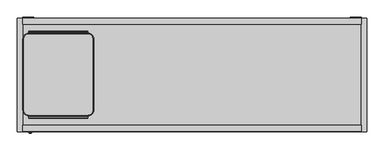
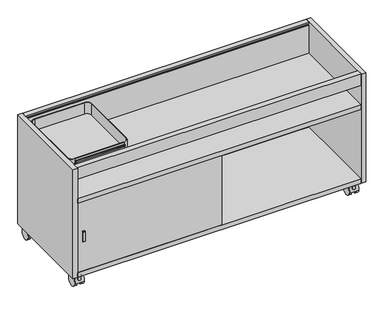
"""IFC4 building model written with IfcOpenShell, lengths in millimetres: furniture geometry."""

from ifc_helpers import new_model, si_unit, point, frame, frame_2d, origin, place, context, project, spatial, polyline, circle_curve, trimmed, segment, composite_curve, outline, extrude, source, transform, mapped, element, save
from ifc_brep_helpers import plane_surface, cylinder_surface, revolved_surface, spline_surface, advanced_brep


def furniture_e8ebdd87(model_context):
    return source(origin(), model_context, "Body", "SolidModel", [
        advanced_brep(
        [(40.7797005, -65.0047138, 490.3901787), (23.5585005, -82.2259138, 490.3901787), (23.5585005, -330.3331138, 490.3901787), (40.7797005, -347.5543138, 490.3901787), (40.7797005, -350.5846709, 490.3901787), (247.0023005, -350.5846709, 490.3901787), (247.0023005, -347.5543138, 490.3901787), (264.2235005, -330.3331138, 490.3901787), (264.2235005, -82.2259138, 490.3901787), (247.0023005, -65.0047138, 490.3901787), (247.0023005, -62.7010709, 490.3901787), (40.7797005, -62.7010709, 490.3901787), (40.7797005, -347.5543138, 489.6027787), (23.5585005, -330.3331138, 489.6027787), (23.5585005, -82.2259138, 489.6027787), (40.7797005, -65.0047138, 489.6027787), (40.7797005, -61.9136709, 489.6027787), (247.0023005, -61.9136709, 489.6027787), (247.0023005, -65.0047138, 489.6027787), (264.2235005, -82.2259138, 489.6027787), (264.2235005, -330.3331138, 489.6027787), (247.0023005, -347.5543138, 489.6027787), (247.0023005, -351.3720709, 489.6027787), (40.7797005, -351.3720709, 489.6027787), (247.0023005, -55.7114012, 532.5033787), (247.0023005, -59.0180709, 532.5033787), (247.0023005, -59.0180709, 531.7153825), (247.0023005, -56.5034709, 531.7153825), (247.0023005, -55.9954709, 531.2073825), (247.0023005, -55.9954709, 528.211375), (247.0023005, -56.5034709, 527.703375), (247.0023005, -58.8857443, 527.703375), (247.0023005, -59.7656262, 527.195375), (247.0023005, -62.7010709, 522.1110356), (247.0023005, -61.9136709, 521.9000524), (247.0023005, -59.0180709, 526.9153787), (247.0023005, -55.7160709, 526.9153787), (247.0023005, -55.2080709, 527.4233787), (247.0023005, -55.2080709, 532.0000483), (247.0023005, -350.5846709, 522.1110356), (247.0023005, -353.5201155, 527.195375), (247.0023005, -354.3999974, 527.703375), (247.0023005, -356.7822709, 527.703375), (247.0023005, -357.2902709, 528.211375), (247.0023005, -357.2902709, 531.2073825), (247.0023005, -356.7822709, 531.7153825), (247.0023005, -354.2676709, 531.7153825), (247.0023005, -354.2676709, 532.5033787), (247.0023005, -357.5743405, 532.5033787), (247.0023005, -358.0776709, 532.0000483), (247.0023005, -358.0776709, 527.4233787), (247.0023005, -357.5696709, 526.9153787), (247.0023005, -354.2676709, 526.9153787), (247.0023005, -351.3720709, 521.9000524), (40.7797005, -55.7114012, 532.5033787), (40.7797005, -55.2080709, 532.0000483), (40.7797005, -55.2080709, 527.4233787), (40.7797005, -55.7160709, 526.9153787), (40.7797005, -59.0180709, 526.9153787), (40.7797005, -61.9136709, 521.9000524), (40.7797005, -62.7010709, 522.1110356), (40.7797005, -59.7656262, 527.195375), (40.7797005, -58.8857443, 527.703375), (40.7797005, -56.5034709, 527.703375), (40.7797005, -55.9954709, 528.211375), (40.7797005, -55.9954709, 531.2073825), (40.7797005, -56.5034709, 531.7153825), (40.7797005, -59.0180709, 531.7153825), (40.7797005, -59.0180709, 532.5033787), (40.7797005, -351.3720709, 521.9000524), (40.7797005, -354.2676709, 526.9153787), (40.7797005, -357.5696709, 526.9153787), (40.7797005, -358.0776709, 527.4233787), (40.7797005, -358.0776709, 532.0000483), (40.7797005, -357.5743405, 532.5033787), (40.7797005, -354.2676709, 532.5033787), (40.7797005, -354.2676709, 531.7153825), (40.7797005, -356.7822709, 531.7153825), (40.7797005, -357.2902709, 531.2073825), (40.7797005, -357.2902709, 528.211375), (40.7797005, -356.7822709, 527.703375), (40.7797005, -354.3999974, 527.703375), (40.7797005, -353.5201155, 527.195375), (40.7797005, -350.5846709, 522.1110356)],
        [
            (0, 1, circle_curve(frame((40.7797005, -82.2259138, 490.3901787), z_axis=(0.0, 0.0, 1.0), x_axis=(1.0, 0.0, 0.0)), 17.2212)),
            (1, 2),
            (2, 3, circle_curve(frame((40.7797005, -330.3331138, 490.3901787), z_axis=(0.0, 0.0, 1.0), x_axis=(1.0, 0.0, 0.0)), 17.2212)),
            (3, 4),
            (4, 5),
            (5, 6),
            (6, 7, circle_curve(frame((247.0023005, -330.3331138, 490.3901787), z_axis=(0.0, 0.0, 1.0), x_axis=(1.0, 0.0, 0.0)), 17.2212)),
            (7, 8),
            (8, 9, circle_curve(frame((247.0023005, -82.2259138, 490.3901787), z_axis=(0.0, 0.0, 1.0), x_axis=(1.0, 0.0, 0.0)), 17.2212)),
            (9, 10),
            (10, 11),
            (11, 0),
            (12, 13, circle_curve(frame((40.7797005, -330.3331138, 489.6027787), z_axis=(0.0, 0.0, -1.0), x_axis=(1.0, 0.0, 0.0)), 17.2212)),
            (13, 14),
            (14, 15, circle_curve(frame((40.7797005, -82.2259138, 489.6027787), z_axis=(0.0, 0.0, -1.0), x_axis=(1.0, 0.0, 0.0)), 17.2212)),
            (15, 16),
            (16, 17),
            (17, 18),
            (18, 19, circle_curve(frame((247.0023005, -82.2259138, 489.6027787), z_axis=(0.0, 0.0, -1.0), x_axis=(1.0, 0.0, 0.0)), 17.2212)),
            (19, 20),
            (20, 21, circle_curve(frame((247.0023005, -330.3331138, 489.6027787), z_axis=(0.0, 0.0, -1.0), x_axis=(1.0, 0.0, 0.0)), 17.2212)),
            (21, 22),
            (22, 23),
            (23, 12),
            (0, 15),
            (14, 1),
            (13, 2),
            (12, 3),
            (6, 21),
            (20, 7),
            (19, 8),
            (18, 9),
            (24, 25),
            (25, 26),
            (26, 27),
            (27, 28, circle_curve(frame((247.0023005, -56.5034709, 531.2073825), z_axis=(-1.0, 0.0, 0.0), x_axis=(0.0, 1.0, 0.0)), 0.508)),
            (28, 29),
            (29, 30, circle_curve(frame((247.0023005, -56.5034709, 528.211375), z_axis=(-1.0, 0.0, 0.0), x_axis=(0.0, 1.0, 0.0)), 0.508)),
            (30, 31),
            (31, 32, circle_curve(frame((247.0023005, -58.8857443, 526.687375), z_axis=(1.0, 0.0, 0.0), x_axis=(0.0, 1.0, 0.0)), 1.016)),
            (32, 33),
            (33, 10),
            (17, 34),
            (34, 35),
            (35, 36),
            (36, 37, circle_curve(frame((247.0023005, -55.7160709, 527.4233787), z_axis=(1.0, 0.0, 0.0), x_axis=(0.0, 1.0, 0.0)), 0.508)),
            (37, 38),
            (38, 24, circle_curve(frame((247.0023005, -55.7114012, 532.0000483), z_axis=(1.0, 0.0, 0.0), x_axis=(0.0, 1.0, 0.0)), 0.5033304)),
            (5, 39),
            (39, 40),
            (40, 41, circle_curve(frame((247.0023005, -354.3999974, 526.687375), z_axis=(1.0, 0.0, 0.0), x_axis=(0.0, 1.0, 0.0)), 1.016)),
            (41, 42),
            (42, 43, circle_curve(frame((247.0023005, -356.7822709, 528.211375), z_axis=(-1.0, 0.0, 0.0), x_axis=(0.0, 1.0, 0.0)), 0.508)),
            (43, 44),
            (44, 45, circle_curve(frame((247.0023005, -356.7822709, 531.2073825), z_axis=(-1.0, 0.0, 0.0), x_axis=(0.0, 1.0, 0.0)), 0.508)),
            (45, 46),
            (46, 47),
            (47, 48),
            (48, 49, circle_curve(frame((247.0023005, -357.5743405, 532.0000483), z_axis=(1.0, 0.0, 0.0), x_axis=(0.0, 1.0, 0.0)), 0.5033304)),
            (49, 50),
            (50, 51, circle_curve(frame((247.0023005, -357.5696709, 527.4233787), z_axis=(1.0, 0.0, 0.0), x_axis=(0.0, 1.0, 0.0)), 0.508)),
            (51, 52),
            (52, 53),
            (53, 22),
            (54, 55, circle_curve(frame((40.7797005, -55.7114012, 532.0000483), z_axis=(-1.0, 0.0, 0.0), x_axis=(0.0, 1.0, 0.0)), 0.5033304)),
            (55, 56),
            (56, 57, circle_curve(frame((40.7797005, -55.7160709, 527.4233787), z_axis=(-1.0, 0.0, 0.0), x_axis=(0.0, 1.0, 0.0)), 0.508)),
            (57, 58),
            (58, 59),
            (59, 16),
            (11, 60),
            (60, 61),
            (61, 62, circle_curve(frame((40.7797005, -58.8857443, 526.687375), z_axis=(-1.0, 0.0, 0.0), x_axis=(0.0, 1.0, 0.0)), 1.016)),
            (62, 63),
            (63, 64, circle_curve(frame((40.7797005, -56.5034709, 528.211375), z_axis=(1.0, 0.0, 0.0), x_axis=(0.0, 1.0, 0.0)), 0.508)),
            (64, 65),
            (65, 66, circle_curve(frame((40.7797005, -56.5034709, 531.2073825), z_axis=(1.0, 0.0, 0.0), x_axis=(0.0, 1.0, 0.0)), 0.508)),
            (66, 67),
            (67, 68),
            (68, 54),
            (23, 69),
            (69, 70),
            (70, 71),
            (71, 72, circle_curve(frame((40.7797005, -357.5696709, 527.4233787), z_axis=(-1.0, 0.0, 0.0), x_axis=(0.0, 1.0, 0.0)), 0.508)),
            (72, 73),
            (73, 74, circle_curve(frame((40.7797005, -357.5743405, 532.0000483), z_axis=(-1.0, 0.0, 0.0), x_axis=(0.0, 1.0, 0.0)), 0.5033304)),
            (74, 75),
            (75, 76),
            (76, 77),
            (77, 78, circle_curve(frame((40.7797005, -356.7822709, 531.2073825), z_axis=(1.0, 0.0, 0.0), x_axis=(0.0, 1.0, 0.0)), 0.508)),
            (78, 79),
            (79, 80, circle_curve(frame((40.7797005, -356.7822709, 528.211375), z_axis=(1.0, 0.0, 0.0), x_axis=(0.0, 1.0, 0.0)), 0.508)),
            (80, 81),
            (81, 82, circle_curve(frame((40.7797005, -354.3999974, 526.687375), z_axis=(-1.0, 0.0, 0.0), x_axis=(0.0, 1.0, 0.0)), 1.016)),
            (82, 83),
            (83, 4),
            (24, 54),
            (68, 25),
            (67, 26),
            (66, 27),
            (65, 28),
            (64, 29),
            (63, 30),
            (62, 31),
            (61, 32),
            (60, 33),
            (83, 39),
            (82, 40),
            (81, 41),
            (80, 42),
            (79, 43),
            (78, 44),
            (77, 45),
            (76, 46),
            (75, 47),
            (74, 48),
            (73, 49),
            (72, 50),
            (71, 51),
            (70, 52),
            (69, 53),
            (59, 34),
            (58, 35),
            (57, 36),
            (56, 37),
            (55, 38),
        ],
        [
            plane_surface(frame((40.7797005, -65.0047138, 490.3901787), z_axis=(0.0, 0.0, 1.0), x_axis=(0.0, 1.0, 0.0))),
            plane_surface(frame((40.7797005, -65.0047138, 489.6027787), z_axis=(0.0, 0.0, -1.0), x_axis=(0.0, -1.0, 0.0))),
            cylinder_surface(frame((40.7797005, -82.2259138, 489.6027787), z_axis=(0.0, 0.0, 1.0), x_axis=(1.0, 0.0, 0.0)), 17.2212),
            plane_surface(frame((23.5585005, -82.2259138, 490.3901787), z_axis=(-1.0, 0.0, 0.0), x_axis=(0.0, 0.0, -1.0))),
            cylinder_surface(frame((40.7797005, -330.3331138, 489.6027787), z_axis=(0.0, 0.0, 1.0), x_axis=(1.0, 0.0, 0.0)), 17.2212),
            cylinder_surface(frame((247.0023005, -330.3331138, 489.6027787), z_axis=(0.0, 0.0, 1.0), x_axis=(1.0, 0.0, 0.0)), 17.2212),
            plane_surface(frame((264.2235005, -330.3331138, 490.3901787), z_axis=(1.0, 0.0, 0.0), x_axis=(0.0, 0.0, -1.0))),
            cylinder_surface(frame((247.0023005, -82.2259138, 489.6027787), z_axis=(0.0, 0.0, 1.0), x_axis=(1.0, 0.0, 0.0)), 17.2212),
            plane_surface(frame((247.0023005, -59.0180709, 532.5033787), z_axis=(1.0, 0.0, 0.0), x_axis=(0.0, -1.0, 0.0))),
            plane_surface(frame((40.7797005, -59.0180709, 532.5033787), z_axis=(-1.0, 0.0, 0.0), x_axis=(0.0, 1.0, 0.0))),
            plane_surface(frame((247.0023005, -55.7114012, 532.5033787), z_axis=(0.0, 0.0, 1.0), x_axis=(-1.0, 0.0, 0.0))),
            plane_surface(frame((247.0023005, -59.0180709, 532.5033787), z_axis=(0.0, -1.0, 0.0), x_axis=(-1.0, 0.0, 0.0))),
            plane_surface(frame((247.0023005, -59.0180709, 531.7153825), z_axis=(0.0, 0.0, -1.0), x_axis=(-1.0, 0.0, 0.0))),
            revolved_surface(polyline([(40.7797005, -55.9954709, 531.2073825), (247.0023005, -55.9954709, 531.2073825)]), (40.7797005, -56.5034709, 531.2073825), (-1.0, 0.0, 0.0)),
            plane_surface(frame((247.0023005, -55.9954709, 531.2073825), z_axis=(0.0, -1.0, 0.0), x_axis=(-1.0, 0.0, 0.0))),
            revolved_surface(polyline([(40.7797005, -55.9954709, 528.211375), (247.0023005, -55.9954709, 528.211375)]), (40.7797005, -56.5034709, 528.211375), (-1.0, 0.0, 0.0)),
            plane_surface(frame((247.0023005, -56.5034709, 527.703375), z_axis=(0.0, 0.0, 1.0), x_axis=(-1.0, 0.0, 0.0))),
            cylinder_surface(frame((40.7797005, -58.8857443, 526.687375), z_axis=(1.0, 0.0, 0.0), x_axis=(0.0, 1.0, 0.0)), 1.016),
            plane_surface(frame((247.0023005, -59.7656262, 527.195375), z_axis=(0.0, -0.8660254037844366, 0.5000000000000036), x_axis=(-1.0, 0.0, 0.0))),
            plane_surface(frame((247.0023005, -62.7010709, 522.1110356), z_axis=(0.0, -1.0, 0.0), x_axis=(-1.0, 0.0, 0.0))),
            plane_surface(frame((247.0023005, -350.5846709, 490.3901787), z_axis=(0.0, 1.0, 0.0), x_axis=(-1.0, 0.0, 0.0))),
            plane_surface(frame((247.0023005, -350.5846709, 522.1110356), z_axis=(0.0, 0.8660254037916251, 0.4999999999875528), x_axis=(-1.0, 0.0, 0.0))),
            cylinder_surface(frame((40.7797005, -354.3999974, 526.687375), z_axis=(1.0, 0.0, 0.0), x_axis=(0.0, 1.0, 0.0)), 1.016),
            plane_surface(frame((247.0023005, -354.3999974, 527.703375), z_axis=(0.0, 0.0, 1.0), x_axis=(-1.0, 0.0, 0.0))),
            revolved_surface(polyline([(40.7797005, -356.27427090000003, 528.211375), (247.0023005, -356.27427090000003, 528.211375)]), (40.7797005, -356.7822709, 528.211375), (-1.0, 0.0, 0.0)),
            plane_surface(frame((247.0023005, -357.2902709, 528.211375), z_axis=(0.0, 1.0, 0.0), x_axis=(-1.0, 0.0, 0.0))),
            revolved_surface(polyline([(40.7797005, -356.27427090000003, 531.2073825), (247.0023005, -356.27427090000003, 531.2073825)]), (40.7797005, -356.7822709, 531.2073825), (-1.0, 0.0, 0.0)),
            plane_surface(frame((247.0023005, -356.7822709, 531.7153825), z_axis=(0.0, 0.0, -1.0), x_axis=(-1.0, 0.0, 0.0))),
            plane_surface(frame((247.0023005, -354.2676709, 531.7153825), z_axis=(0.0, 1.0, 0.0), x_axis=(-1.0, 0.0, 0.0))),
            plane_surface(frame((247.0023005, -354.2676709, 532.5033787), z_axis=(0.0, 0.0, 1.0), x_axis=(-1.0, 0.0, 0.0))),
            cylinder_surface(frame((40.7797005, -357.5743405, 532.0000483), z_axis=(1.0, 0.0, 0.0), x_axis=(0.0, 1.0, 0.0)), 0.5033304),
            plane_surface(frame((247.0023005, -358.0776709, 532.0000483), z_axis=(0.0, -1.0, 0.0), x_axis=(-1.0, 0.0, 0.0))),
            cylinder_surface(frame((40.7797005, -357.5696709, 527.4233787), z_axis=(1.0, 0.0, 0.0), x_axis=(0.0, 1.0, 0.0)), 0.508),
            plane_surface(frame((247.0023005, -357.5696709, 526.9153787), z_axis=(0.0, 0.0, -1.0), x_axis=(-1.0, 0.0, 0.0))),
            plane_surface(frame((247.0023005, -354.2676709, 526.9153787), z_axis=(0.0, -0.8660254037844387, -0.49999999999999983), x_axis=(-1.0, 0.0, 0.0))),
            plane_surface(frame((247.0023005, -351.3720709, 521.9000524), z_axis=(0.0, -1.0, 0.0), x_axis=(-1.0, 0.0, 0.0))),
            plane_surface(frame((247.0023005, -61.9136709, 489.6027787), z_axis=(0.0, 1.0, 0.0), x_axis=(-1.0, 0.0, 0.0))),
            plane_surface(frame((247.0023005, -61.9136709, 521.9000524), z_axis=(0.0, 0.8660254037844357, -0.5000000000000052), x_axis=(-1.0, 0.0, 0.0))),
            plane_surface(frame((247.0023005, -59.0180709, 526.9153787), z_axis=(0.0, 0.0, -1.0), x_axis=(-1.0, 0.0, 0.0))),
            cylinder_surface(frame((40.7797005, -55.7160709, 527.4233787), z_axis=(1.0, 0.0, 0.0), x_axis=(0.0, 1.0, 0.0)), 0.508),
            plane_surface(frame((247.0023005, -55.2080709, 527.4233787), z_axis=(0.0, 1.0, 0.0), x_axis=(-1.0, 0.0, 0.0))),
            cylinder_surface(frame((40.7797005, -55.7114012, 532.0000483), z_axis=(1.0, 0.0, 0.0), x_axis=(0.0, 1.0, 0.0)), 0.5033304),
        ],
        [
            (0, [[1, 2, 3, 4, 5, 6, 7, 8, 9, 10, 11, 12]]),
            (1, [[13, 14, 15, 16, 17, 18, 19, 20, 21, 22, 23, 24]]),
            (2, [[-1, 25, -15, 26]]),
            (3, [[-2, -26, -14, 27]]),
            (4, [[-3, -27, -13, 28]]),
            (5, [[-7, 29, -21, 30]]),
            (6, [[-8, -30, -20, 31]]),
            (7, [[-9, -31, -19, 32]]),
            (8, [[33, 34, 35, 36, 37, 38, 39, 40, 41, 42, -10, -32, -18, 43, 44, 45, 46, 47, 48]]),
            (8, [[49, 50, 51, 52, 53, 54, 55, 56, 57, 58, 59, 60, 61, 62, 63, 64, -22, -29, -6]]),
            (9, [[65, 66, 67, 68, 69, 70, -16, -25, -12, 71, 72, 73, 74, 75, 76, 77, 78, 79, 80]]),
            (9, [[81, 82, 83, 84, 85, 86, 87, 88, 89, 90, 91, 92, 93, 94, 95, 96, -4, -28, -24]]),
            (10, [[-33, 97, -80, 98]]),
            (11, [[-34, -98, -79, 99]]),
            (12, [[-35, -99, -78, 100]]),
            (13, [[-36, -100, -77, 101]]),
            (14, [[-37, -101, -76, 102]]),
            (15, [[-38, -102, -75, 103]]),
            (16, [[-39, -103, -74, 104]]),
            (17, [[-40, -104, -73, 105]]),
            (18, [[-41, -105, -72, 106]]),
            (19, [[-42, -106, -71, -11]]),
            (20, [[-49, -5, -96, 107]]),
            (21, [[-50, -107, -95, 108]]),
            (22, [[-51, -108, -94, 109]]),
            (23, [[-52, -109, -93, 110]]),
            (24, [[-53, -110, -92, 111]]),
            (25, [[-54, -111, -91, 112]]),
            (26, [[-55, -112, -90, 113]]),
            (27, [[-56, -113, -89, 114]]),
            (28, [[-57, -114, -88, 115]]),
            (29, [[-58, -115, -87, 116]]),
            (30, [[-59, -116, -86, 117]]),
            (31, [[-60, -117, -85, 118]]),
            (32, [[-61, -118, -84, 119]]),
            (33, [[-62, -119, -83, 120]]),
            (34, [[-63, -120, -82, 121]]),
            (35, [[-64, -121, -81, -23]]),
            (36, [[-43, -17, -70, 122]]),
            (37, [[-44, -122, -69, 123]]),
            (38, [[-45, -123, -68, 124]]),
            (39, [[-46, -124, -67, 125]]),
            (40, [[-47, -125, -66, 126]]),
            (41, [[-48, -126, -65, -97]]),
        ],
    ),
        extrude(outline(composite_curve([segment(trimmed(circle_curve(frame_2d((247.0023005, -82.5892709)), 19.8882), [point((247.0023005, -62.7010709))], [point((266.8905005, -82.5892709))], False, "CARTESIAN"), True, "CONTINUOUS"), segment(polyline([(266.8905005, -82.5892709), (266.8905005, -330.6964709)]), True, "CONTINUOUS"), segment(trimmed(circle_curve(frame_2d((247.0023005, -330.6964709)), 19.8882), [point((266.8905005, -330.6964709))], [point((247.0023005, -350.5846709))], False, "CARTESIAN"), True, "CONTINUOUS"), segment(polyline([(247.0023005, -350.5846709), (40.7797005, -350.5846709)]), True, "CONTINUOUS"), segment(trimmed(circle_curve(frame_2d((40.7797005, -330.6964709)), 19.8882), [point((40.7797005, -350.5846709))], [point((20.8915005, -330.6964709))], False, "CARTESIAN"), True, "CONTINUOUS"), segment(polyline([(20.8915005, -330.6964709), (20.8915005, -82.5892709)]), True, "CONTINUOUS"), segment(trimmed(circle_curve(frame_2d((40.7797005, -82.5892709)), 19.8882), [point((20.8915005, -82.5892709))], [point((40.7797005, -62.7010709))], False, "CARTESIAN"), True, "CONTINUOUS"), segment(polyline([(40.7797005, -62.7010709), (247.0023005, -62.7010709)]), True, "CONTINUOUS")], self_intersect=False), holes=[composite_curve([segment(polyline([(247.0023005, -65.3680709), (40.7797005, -65.3680709)]), True, "CONTINUOUS"), segment(trimmed(circle_curve(frame_2d((40.7797005, -82.5892709)), 17.2212), [point((40.7797005, -65.3680709))], [point((23.5585005, -82.5892709))], True, "CARTESIAN"), True, "CONTINUOUS"), segment(polyline([(23.5585005, -82.5892709), (23.5585005, -330.6964709)]), True, "CONTINUOUS"), segment(trimmed(circle_curve(frame_2d((40.7797005, -330.6964709)), 17.2212), [point((23.5585005, -330.6964709))], [point((40.7797005, -347.9176709))], True, "CARTESIAN"), True, "CONTINUOUS"), segment(polyline([(40.7797005, -347.9176709), (247.0023005, -347.9176709)]), True, "CONTINUOUS"), segment(trimmed(circle_curve(frame_2d((247.0023005, -330.6964709)), 17.2212), [point((247.0023005, -347.9176709))], [point((264.2235005, -330.6964709))], True, "CARTESIAN"), True, "CONTINUOUS"), segment(polyline([(264.2235005, -330.6964709), (264.2235005, -82.5892709)]), True, "CONTINUOUS"), segment(trimmed(circle_curve(frame_2d((247.0023005, -82.5892709)), 17.2212), [point((264.2235005, -82.5892709))], [point((247.0023005, -65.3680709))], True, "CARTESIAN"), True, "CONTINUOUS")], self_intersect=False)]), frame((0.0, 0.0, 490.3901787), z_axis=(0.0, 0.0, 1.0), x_axis=(1.0, 0.0, 0.0)), (0.0, 0.0, 1.0), 49.0982),
        advanced_brep(
        [(43.33875, -411.1128728, 253.4018294), (42.32275, -411.1128728, 252.3858294), (42.32275, -411.1128728, 211.5553294), (43.33875, -411.1128728, 210.5393294), (49.24425, -411.1128728, 210.5393294), (50.26025, -411.1128728, 211.5553294), (50.26025, -411.1128728, 252.3858294), (49.24425, -411.1128728, 253.4018294), (41.529, -409.4558368, 254.1955794), (51.054, -409.4558368, 254.1955794), (51.054, -409.4558368, 209.7455794), (41.529, -409.4558368, 209.7455794)],
        [
            (0, 1, circle_curve(frame((43.33875, -411.1128728, 252.3858294), z_axis=(0.0, -1.0, 0.0), x_axis=(0.0, 0.0, 1.0)), 1.016)),
            (1, 2),
            (2, 3, circle_curve(frame((43.33875, -411.1128728, 211.5553294), z_axis=(0.0, -1.0, 0.0), x_axis=(0.0, 0.0, 1.0)), 1.016)),
            (3, 4),
            (4, 5, circle_curve(frame((49.24425, -411.1128728, 211.5553294), z_axis=(0.0, -1.0, 0.0), x_axis=(0.0, 0.0, 1.0)), 1.016)),
            (5, 6),
            (6, 7, circle_curve(frame((49.24425, -411.1128728, 252.3858294), z_axis=(0.0, -1.0, 0.0), x_axis=(0.0, 0.0, 1.0)), 1.016)),
            (7, 0),
            (8, 9),
            (9, 10),
            (10, 11),
            (11, 8),
            (0, 8),
            (8, 1),
            (11, 2),
            (11, 3),
            (10, 4),
            (10, 5),
            (9, 6),
            (9, 7),
        ],
        [
            plane_surface(frame((46.2915, -411.1128728, 231.9705794), z_axis=(0.0, -1.0, 0.0), x_axis=(0.0, 0.0, -1.0))),
            plane_surface(frame((46.2915, -409.4558368, 231.9705794), z_axis=(0.0, 1.0, 0.0), x_axis=(0.0, 0.0, -1.0))),
            spline_surface(2, 1, [[(41.529, -409.4558368, 254.1955794), (43.33875, -411.1128728, 253.4018294)], [(41.529, -409.4558368, 254.1955794), (42.322750000000006, -411.1128728, 253.4018294)], [(41.529, -409.4558368, 254.1955794), (42.32275, -411.1128728, 252.3858294)]], [3, 3], [2, 2], [0.0, 1.0], [0.0, 1.0], weights=[[1.0, 1.0], [0.7071067811865499, 0.7071067811865499], [1.0, 1.0]]),
            plane_surface(frame((41.529, -409.4558368, 231.9705794), z_axis=(-0.9018682850478429, -0.43201110683044125, 0.0), x_axis=(0.0, 0.0, -1.0))),
            spline_surface(2, 1, [[(41.529, -409.4558368, 209.7455794), (42.32275, -411.1128728, 211.5553294)], [(41.529, -409.4558368, 209.7455794), (42.32274999999999, -411.1128728, 210.5393294)], [(41.529, -409.4558368, 209.7455794), (43.33875, -411.1128728, 210.5393294)]], [3, 3], [2, 2], [0.0, 1.0], [0.0, 1.0], weights=[[1.0, 1.0], [0.707106781186545, 0.707106781186545], [1.0, 1.0]]),
            plane_surface(frame((46.2915, -409.4558368, 209.7455794), z_axis=(0.0, -0.4320111068302781, -0.901868285047921), x_axis=(1.0, 0.0, 0.0))),
            spline_surface(2, 1, [[(51.054, -409.4558368, 209.7455794), (49.24425, -411.1128728, 210.5393294)], [(51.054, -409.4558368, 209.7455794), (50.26024999999999, -411.1128728, 210.5393294)], [(51.054, -409.4558368, 209.7455794), (50.26025, -411.1128728, 211.5553294)]], [3, 3], [2, 2], [0.0, 1.0], [0.0, 1.0], weights=[[1.0, 1.0], [0.7071067811865499, 0.7071067811865499], [1.0, 1.0]]),
            plane_surface(frame((51.054, -409.4558368, 231.9705794), z_axis=(0.9018682850446057, -0.4320111068371991, 0.0), x_axis=(0.0, 0.0, 1.0))),
            spline_surface(2, 1, [[(51.054, -409.4558368, 254.1955794), (50.26025, -411.1128728, 252.3858294)], [(51.054, -409.4558368, 254.1955794), (50.260250000000006, -411.1128728, 253.4018294)], [(51.054, -409.4558368, 254.1955794), (49.24425, -411.1128728, 253.4018294)]], [3, 3], [2, 2], [0.0, 1.0], [0.0, 1.0], weights=[[1.0, 1.0], [0.707106781186545, 0.707106781186545], [1.0, 1.0]]),
            plane_surface(frame((46.2915, -409.4558368, 254.1955794), z_axis=(0.0, -0.4320111068302707, 0.9018682850479246), x_axis=(-1.0, 0.0, 0.0))),
        ],
        [
            (0, [[1, 2, 3, 4, 5, 6, 7, 8]]),
            (1, [[9, 10, 11, 12]]),
            (2, [[-1, 13, 14]]),
            (3, [[-12, 15, -2, -14]]),
            (4, [[-3, -15, 16]]),
            (5, [[-11, 17, -4, -16]]),
            (6, [[-5, -17, 18]]),
            (7, [[-10, 19, -6, -18]]),
            (8, [[-7, -19, 20]]),
            (9, [[-9, -13, -8, -20]]),
        ],
    ),
        extrude(outline(polyline([(41.529, -404.7628728), (51.054, -404.7628728), (51.054, -409.4558368), (41.529, -409.4558368), (41.529, -404.7628728)])), frame((0.0, 0.0, 209.7455794), z_axis=(0.0, 0.0, 1.0), x_axis=(1.0, 0.0, 0.0)), (0.0, 0.0, 1.0), 44.45),
        extrude(outline(composite_curve([segment(trimmed(circle_curve(frame_2d((39.886257, -384.5058985)), 2.8952236), [point((36.9910335, -384.5058985))], [point((42.7814806, -384.5058985))], False, "CARTESIAN"), True, "CONTINUOUS"), segment(trimmed(circle_curve(frame_2d((39.886257, -384.5058985)), 2.8952236), [point((42.7814806, -384.5058985))], [point((36.9910335, -384.5058985))], False, "CARTESIAN"), True, "CONTINUOUS")], self_intersect=False)), frame((0.0, 0.0, 47.4178766), z_axis=(0.0, 0.0, 1.0), x_axis=(1.0, 0.0, 0.0)), (0.0, 0.0, 1.0), 2.54),
        extrude(outline(composite_curve([segment(trimmed(circle_curve(frame_2d((39.886257, -384.7711608)), 7.4123574), [point((32.4738996, -384.7711608))], [point((47.2986144, -384.7711608))], False, "CARTESIAN"), True, "CONTINUOUS"), segment(trimmed(circle_curve(frame_2d((39.886257, -384.7711608)), 7.4123574), [point((47.2986144, -384.7711608))], [point((32.4738996, -384.7711608))], False, "CARTESIAN"), True, "CONTINUOUS")], self_intersect=False)), frame((0.0, 0.0, 49.9578766), z_axis=(0.0, 0.0, 1.0), x_axis=(1.0, 0.0, 0.0)), (0.0, 0.0, 1.0), 4.7226624),
        advanced_brep(
        [(31.7118996, -384.7711608, 54.680539), (48.0606144, -384.7711608, 54.680539), (27.186257, -384.7711608, 58.3692), (52.586257, -384.7711608, 58.3692)],
        [
            (0, 1, circle_curve(frame((39.886257, -384.7711608, 54.680539), z_axis=(0.0, 0.0, -1.0), x_axis=(-1.0, 0.0, 0.0)), 8.1743574)),
            (1, 0, circle_curve(frame((39.886257, -384.7711608, 54.680539), z_axis=(0.0, 0.0, -1.0), x_axis=(1.0, 0.0, 0.0)), 8.1743574)),
            (2, 3, circle_curve(frame((39.886257, -384.7711608, 58.3692), z_axis=(0.0, 0.0, 1.0), x_axis=(1.0, 0.0, 0.0)), 12.7)),
            (3, 2, circle_curve(frame((39.886257, -384.7711608, 58.3692), z_axis=(0.0, 0.0, 1.0), x_axis=(-1.0, 0.0, 0.0)), 12.7)),
            (2, 0),
            (1, 3),
        ],
        [
            plane_surface(frame((39.886257, -384.7711608, 54.680539), z_axis=(0.0, 0.0, -1.0), x_axis=(0.0, -1.0, 0.0))),
            plane_surface(frame((39.886257, -384.7711608, 58.3692), z_axis=(0.0, 0.0, 1.0), x_axis=(0.0, -1.0, 0.0))),
            revolved_surface(polyline([(48.06061439075025, -384.7711608, 54.680539), (52.586257, -384.7711608, 58.3692)]), (39.886257, -384.7711608, 48.017964), (0.0, 0.0, 1.0)),
            revolved_surface(polyline([(31.711899609249752, -384.7711608, 54.680539), (27.186257, -384.7711608, 58.3692)]), (39.886257, -384.7711608, 48.017964), (0.0, 0.0, 1.0)),
        ],
        [
            (0, [[1, 2]]),
            (1, [[3, 4]]),
            (2, [[-3, 5, -2, 6]]),
            (3, [[-4, -6, -1, -5]]),
        ],
    ),
        extrude(outline(composite_curve([segment(trimmed(circle_curve(frame_2d((39.886257, -384.54061)), 6.0714648), [point((33.8147922, -384.54061))], [point((45.9577219, -384.54061))], False, "CARTESIAN"), True, "CONTINUOUS"), segment(trimmed(circle_curve(frame_2d((39.886257, -384.54061)), 6.0714648), [point((45.9577219, -384.54061))], [point((33.8147922, -384.54061))], False, "CARTESIAN"), True, "CONTINUOUS")], self_intersect=False)), frame((0.0, 0.0, 31.6701308), z_axis=(0.0, 0.0, 1.0), x_axis=(1.0, 0.0, 0.0)), (0.0, 0.0, 1.0), 15.7477457),
        extrude(outline(composite_curve([segment(polyline([(-342.2718871, 18.6856043), (-343.2662644, 18.6856043)]), True, "CONTINUOUS"), segment(trimmed(circle_curve(frame_2d((-365.8754713, 22.0624907)), 22.86), [point((-343.2662644, 18.6856043))], [point((-388.4846783, 18.6856043))], True, "CARTESIAN"), True, "CONTINUOUS"), segment(polyline([(-388.4846783, 18.6856043), (-389.4777732, 18.6856043)]), True, "CONTINUOUS"), segment(trimmed(circle_curve(frame_2d((-365.8748301, 22.0624907)), 23.8432859), [point((-389.4777732, 18.6856043))], [point((-342.2718871, 18.6856043))], False, "CARTESIAN"), True, "CONTINUOUS")], self_intersect=False)), frame((20.8915, 0.0, 0.0), z_axis=(1.0, 0.0, 0.0), x_axis=(0.0, 1.0, 0.0)), (0.0, 0.0, 1.0), 37.9984),
        extrude(outline(composite_curve([segment(trimmed(circle_curve(frame_2d((-365.8754713, 21.9964)), 21.9964), [point((-343.8790713, 21.9964))], [point((-387.8718713, 21.9964))], False, "CARTESIAN"), True, "CONTINUOUS"), segment(trimmed(circle_curve(frame_2d((-365.8754713, 21.9964)), 21.9964), [point((-387.8718713, 21.9964))], [point((-343.8790713, 21.9964))], False, "CARTESIAN"), True, "CONTINUOUS")], self_intersect=False)), frame((19.782157, 0.0, 0.0), z_axis=(1.0, 0.0, 0.0), x_axis=(0.0, 1.0, 0.0)), (0.0, 0.0, 1.0), 10.16),
        extrude(outline(composite_curve([segment(trimmed(circle_curve(frame_2d((-365.8754713, 21.9964)), 21.9964), [point((-343.8790713, 21.9964))], [point((-387.8718713, 21.9964))], False, "CARTESIAN"), True, "CONTINUOUS"), segment(trimmed(circle_curve(frame_2d((-365.8754713, 21.9964)), 21.9964), [point((-387.8718713, 21.9964))], [point((-343.8790713, 21.9964))], False, "CARTESIAN"), True, "CONTINUOUS")], self_intersect=False)), frame((49.830357, 0.0, 0.0), z_axis=(1.0, 0.0, 0.0), x_axis=(0.0, 1.0, 0.0)), (0.0, 0.0, 1.0), 10.16),
        extrude(outline(composite_curve([segment(trimmed(circle_curve(frame_2d((53.8861, -370.8792713)), 5.0038), [point((53.8861, -365.8754713))], [point((58.8899, -370.8792713))], False, "CARTESIAN"), True, "CONTINUOUS"), segment(polyline([(58.8899, -370.8792713), (58.8899, -398.8700713)]), True, "CONTINUOUS"), segment(trimmed(circle_curve(frame_2d((53.8861, -398.8700713)), 5.0038), [point((58.8899, -398.8700713))], [point((53.8861, -403.8738713))], False, "CARTESIAN"), True, "CONTINUOUS"), segment(polyline([(53.8861, -403.8738713), (25.8953, -403.8738713)]), True, "CONTINUOUS"), segment(trimmed(circle_curve(frame_2d((25.8953, -398.8700713)), 5.0038), [point((25.8953, -403.8738713))], [point((20.8915, -398.8700713))], False, "CARTESIAN"), True, "CONTINUOUS"), segment(polyline([(20.8915, -398.8700713), (20.8915, -370.8792713)]), True, "CONTINUOUS"), segment(trimmed(circle_curve(frame_2d((25.8953, -370.8792713)), 5.0038), [point((20.8915, -370.8792713))], [point((25.8953, -365.8754713))], False, "CARTESIAN"), True, "CONTINUOUS"), segment(polyline([(25.8953, -365.8754713), (53.8861, -365.8754713)]), True, "CONTINUOUS")], self_intersect=False)), frame((0.0, 0.0, 58.3692), z_axis=(0.0, 0.0, 1.0), x_axis=(1.0, 0.0, 0.0)), (0.0, 0.0, 1.0), 1.89738),
        extrude(outline(composite_curve([segment(trimmed(circle_curve(frame_2d((39.886257, -50.0132985)), 2.8952236), [point((36.9910335, -50.0132985))], [point((42.7814806, -50.0132985))], False, "CARTESIAN"), True, "CONTINUOUS"), segment(trimmed(circle_curve(frame_2d((39.886257, -50.0132985)), 2.8952236), [point((42.7814806, -50.0132985))], [point((36.9910335, -50.0132985))], False, "CARTESIAN"), True, "CONTINUOUS")], self_intersect=False)), frame((0.0, 0.0, 47.4178766), z_axis=(0.0, 0.0, 1.0), x_axis=(1.0, 0.0, 0.0)), (0.0, 0.0, 1.0), 2.54),
        extrude(outline(composite_curve([segment(trimmed(circle_curve(frame_2d((39.886257, -50.2785608)), 7.4123574), [point((32.4738996, -50.2785608))], [point((47.2986144, -50.2785608))], False, "CARTESIAN"), True, "CONTINUOUS"), segment(trimmed(circle_curve(frame_2d((39.886257, -50.2785608)), 7.4123574), [point((47.2986144, -50.2785608))], [point((32.4738996, -50.2785608))], False, "CARTESIAN"), True, "CONTINUOUS")], self_intersect=False)), frame((0.0, 0.0, 49.9578766), z_axis=(0.0, 0.0, 1.0), x_axis=(1.0, 0.0, 0.0)), (0.0, 0.0, 1.0), 4.7226624),
        advanced_brep(
        [(31.7118996, -50.2785608, 54.680539), (48.0606144, -50.2785608, 54.680539), (27.186257, -50.2785608, 58.3692), (52.586257, -50.2785608, 58.3692)],
        [
            (0, 1, circle_curve(frame((39.886257, -50.2785608, 54.680539), z_axis=(0.0, 0.0, -1.0), x_axis=(-1.0, 0.0, 0.0)), 8.1743574)),
            (1, 0, circle_curve(frame((39.886257, -50.2785608, 54.680539), z_axis=(0.0, 0.0, -1.0), x_axis=(1.0, 0.0, 0.0)), 8.1743574)),
            (2, 3, circle_curve(frame((39.886257, -50.2785608, 58.3692), z_axis=(0.0, 0.0, 1.0), x_axis=(1.0, 0.0, 0.0)), 12.7)),
            (3, 2, circle_curve(frame((39.886257, -50.2785608, 58.3692), z_axis=(0.0, 0.0, 1.0), x_axis=(-1.0, 0.0, 0.0)), 12.7)),
            (2, 0),
            (1, 3),
        ],
        [
            plane_surface(frame((39.886257, -50.2785608, 54.680539), z_axis=(0.0, 0.0, -1.0), x_axis=(0.0, -1.0, 0.0))),
            plane_surface(frame((39.886257, -50.2785608, 58.3692), z_axis=(0.0, 0.0, 1.0), x_axis=(0.0, -1.0, 0.0))),
            revolved_surface(polyline([(48.06061439075025, -50.2785608, 54.680539), (52.586257, -50.2785608, 58.3692)]), (39.886257, -50.2785608, 48.017964), (0.0, 0.0, 1.0)),
            revolved_surface(polyline([(31.711899609249752, -50.2785608, 54.680539), (27.186257, -50.2785608, 58.3692)]), (39.886257, -50.2785608, 48.017964), (0.0, 0.0, 1.0)),
        ],
        [
            (0, [[1, 2]]),
            (1, [[3, 4]]),
            (2, [[-3, 5, -2, 6]]),
            (3, [[-4, -6, -1, -5]]),
        ],
    ),
        extrude(outline(composite_curve([segment(trimmed(circle_curve(frame_2d((39.886257, -50.04801)), 6.0714648), [point((33.8147922, -50.04801))], [point((45.9577219, -50.04801))], False, "CARTESIAN"), True, "CONTINUOUS"), segment(trimmed(circle_curve(frame_2d((39.886257, -50.04801)), 6.0714648), [point((45.9577219, -50.04801))], [point((33.8147922, -50.04801))], False, "CARTESIAN"), True, "CONTINUOUS")], self_intersect=False)), frame((0.0, 0.0, 31.6701308), z_axis=(0.0, 0.0, 1.0), x_axis=(1.0, 0.0, 0.0)), (0.0, 0.0, 1.0), 15.7477457),
        extrude(outline(composite_curve([segment(polyline([(-7.7792871, 18.6856043), (-8.7736644, 18.6856043)]), True, "CONTINUOUS"), segment(trimmed(circle_curve(frame_2d((-31.3828713, 22.0624907)), 22.86), [point((-8.7736644, 18.6856043))], [point((-53.9920783, 18.6856043))], True, "CARTESIAN"), True, "CONTINUOUS"), segment(polyline([(-53.9920783, 18.6856043), (-54.9851732, 18.6856043)]), True, "CONTINUOUS"), segment(trimmed(circle_curve(frame_2d((-31.3822301, 22.0624907)), 23.8432859), [point((-54.9851732, 18.6856043))], [point((-7.7792871, 18.6856043))], False, "CARTESIAN"), True, "CONTINUOUS")], self_intersect=False)), frame((20.8915, 0.0, 0.0), z_axis=(1.0, 0.0, 0.0), x_axis=(0.0, 1.0, 0.0)), (0.0, 0.0, 1.0), 37.9984),
        extrude(outline(composite_curve([segment(trimmed(circle_curve(frame_2d((-31.3828713, 21.9964)), 21.9964), [point((-9.3864713, 21.9964))], [point((-53.3792713, 21.9964))], False, "CARTESIAN"), True, "CONTINUOUS"), segment(trimmed(circle_curve(frame_2d((-31.3828713, 21.9964)), 21.9964), [point((-53.3792713, 21.9964))], [point((-9.3864713, 21.9964))], False, "CARTESIAN"), True, "CONTINUOUS")], self_intersect=False)), frame((19.782157, 0.0, 0.0), z_axis=(1.0, 0.0, 0.0), x_axis=(0.0, 1.0, 0.0)), (0.0, 0.0, 1.0), 10.16),
        extrude(outline(composite_curve([segment(trimmed(circle_curve(frame_2d((-31.3828713, 21.9964)), 21.9964), [point((-9.3864713, 21.9964))], [point((-53.3792713, 21.9964))], False, "CARTESIAN"), True, "CONTINUOUS"), segment(trimmed(circle_curve(frame_2d((-31.3828713, 21.9964)), 21.9964), [point((-53.3792713, 21.9964))], [point((-9.3864713, 21.9964))], False, "CARTESIAN"), True, "CONTINUOUS")], self_intersect=False)), frame((49.830357, 0.0, 0.0), z_axis=(1.0, 0.0, 0.0), x_axis=(0.0, 1.0, 0.0)), (0.0, 0.0, 1.0), 10.16),
        extrude(outline(composite_curve([segment(trimmed(circle_curve(frame_2d((53.8861, -36.3866713)), 5.0038), [point((53.8861, -31.3828713))], [point((58.8899, -36.3866713))], False, "CARTESIAN"), True, "CONTINUOUS"), segment(polyline([(58.8899, -36.3866713), (58.8899, -64.3774713)]), True, "CONTINUOUS"), segment(trimmed(circle_curve(frame_2d((53.8861, -64.3774713)), 5.0038), [point((58.8899, -64.3774713))], [point((53.8861, -69.3812713))], False, "CARTESIAN"), True, "CONTINUOUS"), segment(polyline([(53.8861, -69.3812713), (25.8953, -69.3812713)]), True, "CONTINUOUS"), segment(trimmed(circle_curve(frame_2d((25.8953, -64.3774713)), 5.0038), [point((25.8953, -69.3812713))], [point((20.8915, -64.3774713))], False, "CARTESIAN"), True, "CONTINUOUS"), segment(polyline([(20.8915, -64.3774713), (20.8915, -36.3866713)]), True, "CONTINUOUS"), segment(trimmed(circle_curve(frame_2d((25.8953, -36.3866713)), 5.0038), [point((20.8915, -36.3866713))], [point((25.8953, -31.3828713))], False, "CARTESIAN"), True, "CONTINUOUS"), segment(polyline([(25.8953, -31.3828713), (53.8861, -31.3828713)]), True, "CONTINUOUS")], self_intersect=False)), frame((0.0, 0.0, 58.3692), z_axis=(0.0, 0.0, 1.0), x_axis=(1.0, 0.0, 0.0)), (0.0, 0.0, 1.0), 1.89738),
        extrude(outline(composite_curve([segment(trimmed(circle_curve(frame_2d((1179.3048724, -384.5058985)), 2.8952236), [point((1176.4096488, -384.5058985))], [point((1182.200096, -384.5058985))], False, "CARTESIAN"), True, "CONTINUOUS"), segment(trimmed(circle_curve(frame_2d((1179.3048724, -384.5058985)), 2.8952236), [point((1182.200096, -384.5058985))], [point((1176.4096488, -384.5058985))], False, "CARTESIAN"), True, "CONTINUOUS")], self_intersect=False)), frame((0.0, 0.0, 47.4178766), z_axis=(0.0, 0.0, 1.0), x_axis=(1.0, 0.0, 0.0)), (0.0, 0.0, 1.0), 2.54),
        extrude(outline(composite_curve([segment(trimmed(circle_curve(frame_2d((1179.3048724, -384.7711608)), 7.4123574), [point((1171.892515, -384.7711608))], [point((1186.7172298, -384.7711608))], False, "CARTESIAN"), True, "CONTINUOUS"), segment(trimmed(circle_curve(frame_2d((1179.3048724, -384.7711608)), 7.4123574), [point((1186.7172298, -384.7711608))], [point((1171.892515, -384.7711608))], False, "CARTESIAN"), True, "CONTINUOUS")], self_intersect=False)), frame((0.0, 0.0, 49.9578766), z_axis=(0.0, 0.0, 1.0), x_axis=(1.0, 0.0, 0.0)), (0.0, 0.0, 1.0), 4.7226624),
        advanced_brep(
        [(1171.130515, -384.7711608, 54.680539), (1187.4792298, -384.7711608, 54.680539), (1166.6048724, -384.7711608, 58.3692), (1192.0048724, -384.7711608, 58.3692)],
        [
            (0, 1, circle_curve(frame((1179.3048724, -384.7711608, 54.680539), z_axis=(0.0, 0.0, -1.0), x_axis=(-1.0, 0.0, 0.0)), 8.1743574)),
            (1, 0, circle_curve(frame((1179.3048724, -384.7711608, 54.680539), z_axis=(0.0, 0.0, -1.0), x_axis=(1.0, 0.0, 0.0)), 8.1743574)),
            (2, 3, circle_curve(frame((1179.3048724, -384.7711608, 58.3692), z_axis=(0.0, 0.0, 1.0), x_axis=(1.0, 0.0, 0.0)), 12.7)),
            (3, 2, circle_curve(frame((1179.3048724, -384.7711608, 58.3692), z_axis=(0.0, 0.0, 1.0), x_axis=(-1.0, 0.0, 0.0)), 12.7)),
            (2, 0),
            (1, 3),
        ],
        [
            plane_surface(frame((1179.3048724, -384.7711608, 54.680539), z_axis=(0.0, 0.0, -1.0), x_axis=(0.0, -1.0, 0.0))),
            plane_surface(frame((1179.3048724, -384.7711608, 58.3692), z_axis=(0.0, 0.0, 1.0), x_axis=(0.0, -1.0, 0.0))),
            revolved_surface(polyline([(1187.4792297907502, -384.7711608, 54.680539), (1192.0048724, -384.7711608, 58.3692)]), (1179.3048724, -384.7711608, 48.017964), (0.0, 0.0, 1.0)),
            revolved_surface(polyline([(1171.1305150092498, -384.7711608, 54.680539), (1166.6048724, -384.7711608, 58.3692)]), (1179.3048724, -384.7711608, 48.017964), (0.0, 0.0, 1.0)),
        ],
        [
            (0, [[1, 2]]),
            (1, [[3, 4]]),
            (2, [[-3, 5, -2, 6]]),
            (3, [[-4, -6, -1, -5]]),
        ],
    ),
        extrude(outline(composite_curve([segment(trimmed(circle_curve(frame_2d((1179.3048724, -384.54061)), 6.0714648), [point((1173.2334076, -384.54061))], [point((1185.3763373, -384.54061))], False, "CARTESIAN"), True, "CONTINUOUS"), segment(trimmed(circle_curve(frame_2d((1179.3048724, -384.54061)), 6.0714648), [point((1185.3763373, -384.54061))], [point((1173.2334076, -384.54061))], False, "CARTESIAN"), True, "CONTINUOUS")], self_intersect=False)), frame((0.0, 0.0, 31.6701308), z_axis=(0.0, 0.0, 1.0), x_axis=(1.0, 0.0, 0.0)), (0.0, 0.0, 1.0), 15.7477457),
        extrude(outline(composite_curve([segment(polyline([(-342.2718871, 18.6856043), (-343.2662644, 18.6856043)]), True, "CONTINUOUS"), segment(trimmed(circle_curve(frame_2d((-365.8754713, 22.0624907)), 22.86), [point((-343.2662644, 18.6856043))], [point((-388.4846783, 18.6856043))], True, "CARTESIAN"), True, "CONTINUOUS"), segment(polyline([(-388.4846783, 18.6856043), (-389.4777732, 18.6856043)]), True, "CONTINUOUS"), segment(trimmed(circle_curve(frame_2d((-365.8748301, 22.0624907)), 23.8432859), [point((-389.4777732, 18.6856043))], [point((-342.2718871, 18.6856043))], False, "CARTESIAN"), True, "CONTINUOUS")], self_intersect=False)), frame((1160.3101154, 0.0, 0.0), z_axis=(1.0, 0.0, 0.0), x_axis=(0.0, 1.0, 0.0)), (0.0, 0.0, 1.0), 37.9984),
        extrude(outline(composite_curve([segment(trimmed(circle_curve(frame_2d((-365.8754713, 21.9964)), 21.9964), [point((-343.8790713, 21.9964))], [point((-387.8718713, 21.9964))], False, "CARTESIAN"), True, "CONTINUOUS"), segment(trimmed(circle_curve(frame_2d((-365.8754713, 21.9964)), 21.9964), [point((-387.8718713, 21.9964))], [point((-343.8790713, 21.9964))], False, "CARTESIAN"), True, "CONTINUOUS")], self_intersect=False)), frame((1159.2007724, 0.0, 0.0), z_axis=(1.0, 0.0, 0.0), x_axis=(0.0, 1.0, 0.0)), (0.0, 0.0, 1.0), 10.16),
        extrude(outline(composite_curve([segment(trimmed(circle_curve(frame_2d((-365.8754713, 21.9964)), 21.9964), [point((-343.8790713, 21.9964))], [point((-387.8718713, 21.9964))], False, "CARTESIAN"), True, "CONTINUOUS"), segment(trimmed(circle_curve(frame_2d((-365.8754713, 21.9964)), 21.9964), [point((-387.8718713, 21.9964))], [point((-343.8790713, 21.9964))], False, "CARTESIAN"), True, "CONTINUOUS")], self_intersect=False)), frame((1189.2489724, 0.0, 0.0), z_axis=(1.0, 0.0, 0.0), x_axis=(0.0, 1.0, 0.0)), (0.0, 0.0, 1.0), 10.16),
        extrude(outline(composite_curve([segment(trimmed(circle_curve(frame_2d((1193.3047154, -370.8792713)), 5.0038), [point((1193.3047154, -365.8754713))], [point((1198.3085154, -370.8792713))], False, "CARTESIAN"), True, "CONTINUOUS"), segment(polyline([(1198.3085154, -370.8792713), (1198.3085154, -398.8700713)]), True, "CONTINUOUS"), segment(trimmed(circle_curve(frame_2d((1193.3047154, -398.8700713)), 5.0038), [point((1198.3085154, -398.8700713))], [point((1193.3047154, -403.8738713))], False, "CARTESIAN"), True, "CONTINUOUS"), segment(polyline([(1193.3047154, -403.8738713), (1165.3139154, -403.8738713)]), True, "CONTINUOUS"), segment(trimmed(circle_curve(frame_2d((1165.3139154, -398.8700713)), 5.0038), [point((1165.3139154, -403.8738713))], [point((1160.3101154, -398.8700713))], False, "CARTESIAN"), True, "CONTINUOUS"), segment(polyline([(1160.3101154, -398.8700713), (1160.3101154, -370.8792713)]), True, "CONTINUOUS"), segment(trimmed(circle_curve(frame_2d((1165.3139154, -370.8792713)), 5.0038), [point((1160.3101154, -370.8792713))], [point((1165.3139154, -365.8754713))], False, "CARTESIAN"), True, "CONTINUOUS"), segment(polyline([(1165.3139154, -365.8754713), (1193.3047154, -365.8754713)]), True, "CONTINUOUS")], self_intersect=False)), frame((0.0, 0.0, 58.3692), z_axis=(0.0, 0.0, 1.0), x_axis=(1.0, 0.0, 0.0)), (0.0, 0.0, 1.0), 1.89738),
        extrude(outline(composite_curve([segment(trimmed(circle_curve(frame_2d((1179.3048724, -50.0132985)), 2.8952236), [point((1176.4096488, -50.0132985))], [point((1182.200096, -50.0132985))], False, "CARTESIAN"), True, "CONTINUOUS"), segment(trimmed(circle_curve(frame_2d((1179.3048724, -50.0132985)), 2.8952236), [point((1182.200096, -50.0132985))], [point((1176.4096488, -50.0132985))], False, "CARTESIAN"), True, "CONTINUOUS")], self_intersect=False)), frame((0.0, 0.0, 47.4178766), z_axis=(0.0, 0.0, 1.0), x_axis=(1.0, 0.0, 0.0)), (0.0, 0.0, 1.0), 2.54),
        extrude(outline(composite_curve([segment(trimmed(circle_curve(frame_2d((1179.3048724, -50.2785608)), 7.4123574), [point((1171.892515, -50.2785608))], [point((1186.7172298, -50.2785608))], False, "CARTESIAN"), True, "CONTINUOUS"), segment(trimmed(circle_curve(frame_2d((1179.3048724, -50.2785608)), 7.4123574), [point((1186.7172298, -50.2785608))], [point((1171.892515, -50.2785608))], False, "CARTESIAN"), True, "CONTINUOUS")], self_intersect=False)), frame((0.0, 0.0, 49.9578766), z_axis=(0.0, 0.0, 1.0), x_axis=(1.0, 0.0, 0.0)), (0.0, 0.0, 1.0), 4.7226624),
        advanced_brep(
        [(1171.130515, -50.2785608, 54.680539), (1187.4792298, -50.2785608, 54.680539), (1166.6048724, -50.2785608, 58.3692), (1192.0048724, -50.2785608, 58.3692)],
        [
            (0, 1, circle_curve(frame((1179.3048724, -50.2785608, 54.680539), z_axis=(0.0, 0.0, -1.0), x_axis=(-1.0, 0.0, 0.0)), 8.1743574)),
            (1, 0, circle_curve(frame((1179.3048724, -50.2785608, 54.680539), z_axis=(0.0, 0.0, -1.0), x_axis=(1.0, 0.0, 0.0)), 8.1743574)),
            (2, 3, circle_curve(frame((1179.3048724, -50.2785608, 58.3692), z_axis=(0.0, 0.0, 1.0), x_axis=(1.0, 0.0, 0.0)), 12.7)),
            (3, 2, circle_curve(frame((1179.3048724, -50.2785608, 58.3692), z_axis=(0.0, 0.0, 1.0), x_axis=(-1.0, 0.0, 0.0)), 12.7)),
            (2, 0),
            (1, 3),
        ],
        [
            plane_surface(frame((1179.3048724, -50.2785608, 54.680539), z_axis=(0.0, 0.0, -1.0), x_axis=(0.0, -1.0, 0.0))),
            plane_surface(frame((1179.3048724, -50.2785608, 58.3692), z_axis=(0.0, 0.0, 1.0), x_axis=(0.0, -1.0, 0.0))),
            revolved_surface(polyline([(1187.4792297907502, -50.2785608, 54.680539), (1192.0048724, -50.2785608, 58.3692)]), (1179.3048724, -50.2785608, 48.017964), (0.0, 0.0, 1.0)),
            revolved_surface(polyline([(1171.1305150092498, -50.2785608, 54.680539), (1166.6048724, -50.2785608, 58.3692)]), (1179.3048724, -50.2785608, 48.017964), (0.0, 0.0, 1.0)),
        ],
        [
            (0, [[1, 2]]),
            (1, [[3, 4]]),
            (2, [[-3, 5, -2, 6]]),
            (3, [[-4, -6, -1, -5]]),
        ],
    ),
        extrude(outline(composite_curve([segment(trimmed(circle_curve(frame_2d((1179.3048724, -50.04801)), 6.0714648), [point((1173.2334076, -50.04801))], [point((1185.3763373, -50.04801))], False, "CARTESIAN"), True, "CONTINUOUS"), segment(trimmed(circle_curve(frame_2d((1179.3048724, -50.04801)), 6.0714648), [point((1185.3763373, -50.04801))], [point((1173.2334076, -50.04801))], False, "CARTESIAN"), True, "CONTINUOUS")], self_intersect=False)), frame((0.0, 0.0, 31.6701308), z_axis=(0.0, 0.0, 1.0), x_axis=(1.0, 0.0, 0.0)), (0.0, 0.0, 1.0), 15.7477457),
        extrude(outline(composite_curve([segment(polyline([(-7.7792871, 18.6856043), (-8.7736644, 18.6856043)]), True, "CONTINUOUS"), segment(trimmed(circle_curve(frame_2d((-31.3828713, 22.0624907)), 22.86), [point((-8.7736644, 18.6856043))], [point((-53.9920783, 18.6856043))], True, "CARTESIAN"), True, "CONTINUOUS"), segment(polyline([(-53.9920783, 18.6856043), (-54.9851732, 18.6856043)]), True, "CONTINUOUS"), segment(trimmed(circle_curve(frame_2d((-31.3822301, 22.0624907)), 23.8432859), [point((-54.9851732, 18.6856043))], [point((-7.7792871, 18.6856043))], False, "CARTESIAN"), True, "CONTINUOUS")], self_intersect=False)), frame((1160.3101154, 0.0, 0.0), z_axis=(1.0, 0.0, 0.0), x_axis=(0.0, 1.0, 0.0)), (0.0, 0.0, 1.0), 37.9984),
        extrude(outline(composite_curve([segment(trimmed(circle_curve(frame_2d((-31.3828713, 21.9964)), 21.9964), [point((-9.3864713, 21.9964))], [point((-53.3792713, 21.9964))], False, "CARTESIAN"), True, "CONTINUOUS"), segment(trimmed(circle_curve(frame_2d((-31.3828713, 21.9964)), 21.9964), [point((-53.3792713, 21.9964))], [point((-9.3864713, 21.9964))], False, "CARTESIAN"), True, "CONTINUOUS")], self_intersect=False)), frame((1159.2007724, 0.0, 0.0), z_axis=(1.0, 0.0, 0.0), x_axis=(0.0, 1.0, 0.0)), (0.0, 0.0, 1.0), 10.16),
        extrude(outline(composite_curve([segment(trimmed(circle_curve(frame_2d((-31.3828713, 21.9964)), 21.9964), [point((-9.3864713, 21.9964))], [point((-53.3792713, 21.9964))], False, "CARTESIAN"), True, "CONTINUOUS"), segment(trimmed(circle_curve(frame_2d((-31.3828713, 21.9964)), 21.9964), [point((-53.3792713, 21.9964))], [point((-9.3864713, 21.9964))], False, "CARTESIAN"), True, "CONTINUOUS")], self_intersect=False)), frame((1189.2489724, 0.0, 0.0), z_axis=(1.0, 0.0, 0.0), x_axis=(0.0, 1.0, 0.0)), (0.0, 0.0, 1.0), 10.16),
        extrude(outline(composite_curve([segment(trimmed(circle_curve(frame_2d((1193.3047154, -36.3866713)), 5.0038), [point((1193.3047154, -31.3828713))], [point((1198.3085154, -36.3866713))], False, "CARTESIAN"), True, "CONTINUOUS"), segment(polyline([(1198.3085154, -36.3866713), (1198.3085154, -64.3774713)]), True, "CONTINUOUS"), segment(trimmed(circle_curve(frame_2d((1193.3047154, -64.3774713)), 5.0038), [point((1198.3085154, -64.3774713))], [point((1193.3047154, -69.3812713))], False, "CARTESIAN"), True, "CONTINUOUS"), segment(polyline([(1193.3047154, -69.3812713), (1165.3139154, -69.3812713)]), True, "CONTINUOUS"), segment(trimmed(circle_curve(frame_2d((1165.3139154, -64.3774713)), 5.0038), [point((1165.3139154, -69.3812713))], [point((1160.3101154, -64.3774713))], False, "CARTESIAN"), True, "CONTINUOUS"), segment(polyline([(1160.3101154, -64.3774713), (1160.3101154, -36.3866713)]), True, "CONTINUOUS"), segment(trimmed(circle_curve(frame_2d((1165.3139154, -36.3866713)), 5.0038), [point((1160.3101154, -36.3866713))], [point((1165.3139154, -31.3828713))], False, "CARTESIAN"), True, "CONTINUOUS"), segment(polyline([(1165.3139154, -31.3828713), (1193.3047154, -31.3828713)]), True, "CONTINUOUS")], self_intersect=False)), frame((0.0, 0.0, 58.3692), z_axis=(0.0, 0.0, 1.0), x_axis=(1.0, 0.0, 0.0)), (0.0, 0.0, 1.0), 1.89738),
        extrude(outline(polyline([(-382.7918713, 488.6883787), (-404.7628728, 488.6883787), (-404.7628728, 539.4883787), (-382.7918713, 539.4883787), (-382.7918713, 533.2907787), (-388.2465826, 533.2907787), (-388.2465826, 525.3405787), (-382.7918713, 525.3405787), (-382.7918713, 488.6883787)])), frame((20.8915005, 0.0, 0.0), z_axis=(1.0, 0.0, 0.0), x_axis=(0.0, 1.0, 0.0)), (0.0, 0.0, 1.0), 1177.4170149),
        extrude(outline(polyline([(-30.4938704, 539.4883787), (-11.1898712, 539.4883787), (-11.1898712, 60.26658), (-30.4938704, 60.26658), (-30.4938704, 525.3405787), (-25.0391591, 525.3405787), (-25.0391591, 533.2907787), (-30.4938704, 533.2907787), (-30.4938704, 539.4883787)])), frame((20.8915005, 0.0, 0.0), z_axis=(1.0, 0.0, 0.0), x_axis=(0.0, 1.0, 0.0)), (0.0, 0.0, 1.0), 1177.4170149),
        extrude(outline(polyline([(20.8915005, -9.6658713), (20.8915005, -406.2868713), (1.5875, -406.2868713), (1.5875, -9.6658713), (20.8915005, -9.6658713)])), frame((0.0, 0.0, 60.26658), z_axis=(0.0, 0.0, 1.0), x_axis=(1.0, 0.0, 0.0)), (0.0, 0.0, 1.0), 479.2217987),
        extrude(outline(polyline([(1198.3085154, -9.6658713), (1217.6125158, -9.6658713), (1217.6125158, -406.2868713), (1198.3085154, -406.2868713), (1198.3085154, -9.6658713)])), frame((0.0, 0.0, 60.26658), z_axis=(0.0, 0.0, 1.0), x_axis=(1.0, 0.0, 0.0)), (0.0, 0.0, 1.0), 479.2217987),
        extrude(outline(polyline([(20.8915, -382.7918713), (619.252, -382.7918713), (619.252, -404.7628728), (20.8915, -404.7628728), (20.8915, -382.7918713)])), frame((0.0, 0.0, 79.57058), z_axis=(0.0, 0.0, 1.0), x_axis=(1.0, 0.0, 0.0)), (0.0, 0.0, 1.0), 304.7999987),
        extrude(outline(polyline([(619.252, -30.4938704), (619.252, -382.7918713), (599.948, -382.7918713), (599.948, -30.4938704), (619.252, -30.4938704)])), frame((0.0, 0.0, 79.57058), z_axis=(0.0, 0.0, 1.0), x_axis=(1.0, 0.0, 0.0)), (0.0, 0.0, 1.0), 304.7999987),
        extrude(outline(polyline([(1198.3085154, -30.4938704), (1198.3085154, -405.9058626), (20.8915, -405.9058626), (20.8915, -30.4938704), (1198.3085154, -30.4938704)])), frame((0.0, 0.0, 384.3705787), z_axis=(0.0, 0.0, 1.0), x_axis=(1.0, 0.0, 0.0)), (0.0, 0.0, 1.0), 19.304),
        extrude(outline(polyline([(1198.3085154, -30.4938704), (1198.3085154, -405.9058626), (20.8915005, -405.9058626), (20.8915005, -30.4938704), (1198.3085154, -30.4938704)])), frame((0.0, 0.0, 60.26658), z_axis=(0.0, 0.0, 1.0), x_axis=(1.0, 0.0, 0.0)), (0.0, 0.0, 1.0), 19.304),
    ])


if __name__ == "__main__":
    model = new_model("IFC4")
    model_context = context("Model", 3, world=origin())
    ifc_project = project(units=[si_unit("LENGTHUNIT", "METRE", prefix="MILLI")], contexts=[model_context])
    site = spatial("IfcSite", under=ifc_project)
    building = spatial("IfcBuilding", under=site)
    placement = place(None, origin())
    furniture_shape = furniture_e8ebdd87(model_context)
    element("IfcFurniture", 1, at=placement, inside=building, context=model_context, shape_type="MappedRepresentation", body=[
        mapped(furniture_shape, transform((0.0, 0.0, 0.0), x_axis=(1.0, 0.0, 0.0), y_axis=(0.0, 1.0, 0.0), z_axis=(0.0, 0.0, 1.0))),
    ])
    save(model, "model.ifc")
